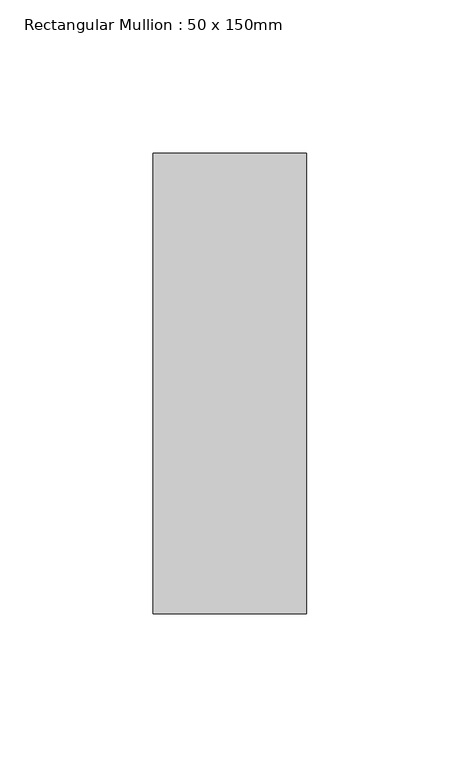
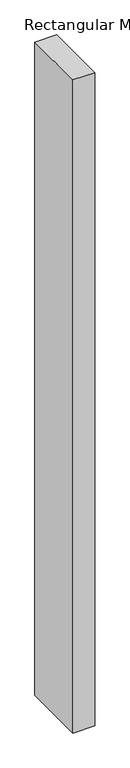
"""IFC4 building model written with IfcOpenShell, lengths in millimetres: member geometry, Rectangular Mullion : 50 x 150mm."""

from ifc_helpers import new_model, si_unit, frame, origin, place, context, project, spatial, polyline, outline, extrude, source, transform, mapped, element, save


def rectangular_mullion_50_x_150mm_f516b6d4(model_context):
    return source(origin(), model_context, "Body", "SweptSolid", [
        extrude(outline(polyline([(0.0, 75.0), (0.0, -75.0), (-50.0, -75.0), (-50.0, 75.0), (0.0, 75.0)])), frame((0.0, 0.0, -1574.0418772), z_axis=(0.0, 0.0, 1.0), x_axis=(1.0, 0.0, 0.0)), (0.0, 0.0, 1.0), 1574.0418772),
    ])


if __name__ == "__main__":
    model = new_model("IFC4")
    model_context = context("Model", 3, world=origin())
    ifc_project = project(units=[si_unit("LENGTHUNIT", "METRE", prefix="MILLI")], contexts=[model_context])
    site = spatial("IfcSite", under=ifc_project)
    building = spatial("IfcBuilding", under=site)
    placement = place(None, origin())
    rectangular_mullion_50_x_150mm_shape = rectangular_mullion_50_x_150mm_f516b6d4(model_context)
    element("IfcMember", 1, ObjectType="Rectangular Mullion : 50 x 150mm", at=placement, inside=building, context=model_context, shape_type="MappedRepresentation", body=[
        mapped(rectangular_mullion_50_x_150mm_shape, transform((0.0, 0.0, 0.0), x_axis=(1.0, 0.0, 0.0), y_axis=(0.0, 1.0, 0.0), z_axis=(0.0, 0.0, 1.0))),
    ])
    save(model, "model.ifc")
